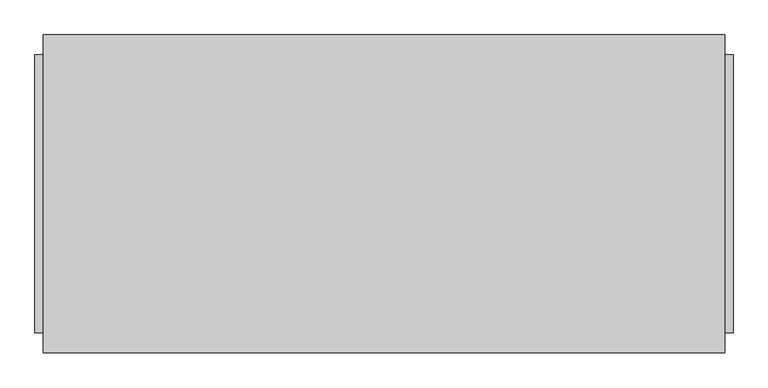
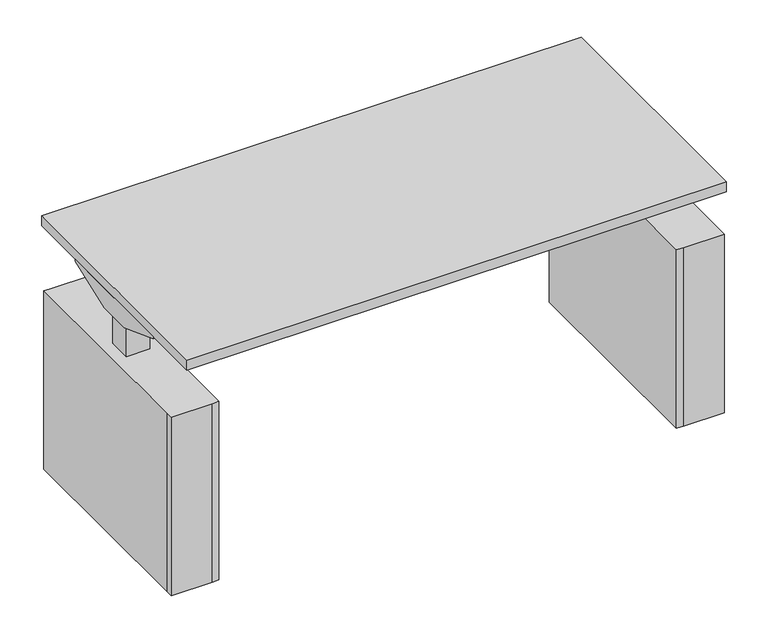
"""IFC4 building model written with IfcOpenShell, lengths in millimetres: furniture geometry."""

from ifc_helpers import new_model, si_unit, frame, origin, origin_with_axes, place, context, project, spatial, polyline, outline, extrude, source, transform, mapped, element, save


def furniture_b771bf4a(model_context):
    return source(origin(), model_context, "Body", "SweptSolid", [
        extrude(outline(polyline([(-762.0, 311.15), (-646.4101562, 311.15), (-646.4101562, -311.15), (-665.4601562, -311.15), (-781.05, -311.15), (-781.05, -292.1), (-781.05, 311.15), (-762.0, 311.15)]), holes=[polyline([(-746.7699219, 33.02), (-746.7699219, -33.02), (-680.6902344, -33.02), (-680.6902344, 33.02), (-746.7699219, 33.02)])]), frame((0.0, 0.0, 12.7), z_axis=(0.0, 0.0, 1.0), x_axis=(1.0, 0.0, 0.0)), (0.0, 0.0, 1.0), 533.4),
        extrude(outline(polyline([(-762.0, 292.1), (-665.4601562, 292.1), (-665.4601562, -292.1), (-762.0, -292.1), (-762.0, 292.1)])), origin_with_axes(), (0.0, 0.0, 1.0), 20.6375),
        extrude(outline(polyline([(49.3599854, 648.1304493), (-49.3599854, 648.1304493), (-190.5, 700.0875), (-190.5, 706.4375), (190.5, 706.4375), (190.5, 700.0875), (49.3599854, 648.1304493)])), frame((-762.0, 0.0, 0.0), z_axis=(1.0, 0.0, 0.0), x_axis=(0.0, 1.0, 0.0)), (0.0, 0.0, 1.0), 25.4),
        extrude(outline(polyline([(-736.6, 29.21), (-684.5597656, 29.21), (-684.5597656, -29.21), (-736.6, -29.21), (-736.6, 29.21)])), frame((0.0, 0.0, 642.9375), z_axis=(0.0, 0.0, 1.0), x_axis=(1.0, 0.0, 0.0)), (0.0, 0.0, 1.0), 63.5),
        extrude(outline(polyline([(-746.7699219, 33.02), (-680.6902344, 33.02), (-680.6902344, -33.02), (-746.7699219, -33.02), (-746.7699219, 33.02)])), frame((0.0, 0.0, 20.6375), z_axis=(0.0, 0.0, 1.0), x_axis=(1.0, 0.0, 0.0)), (0.0, 0.0, 1.0), 622.3),
        extrude(outline(polyline([(762.0, 311.15), (781.05, 311.15), (781.05, -292.1), (781.05, -311.15), (665.4601563, -311.15), (646.4101563, -311.15), (646.4101563, 311.15), (762.0, 311.15)]), holes=[polyline([(746.7699219, 33.02), (680.6902344, 33.02), (680.6902344, -33.02), (746.7699219, -33.02), (746.7699219, 33.02)])]), frame((0.0, 0.0, 12.7), z_axis=(0.0, 0.0, 1.0), x_axis=(1.0, 0.0, 0.0)), (0.0, 0.0, 1.0), 533.4),
        extrude(outline(polyline([(762.0, 292.1), (762.0, -292.1), (665.4601563, -292.1), (665.4601563, 292.1), (762.0, 292.1)])), origin_with_axes(), (0.0, 0.0, 1.0), 20.6375),
        extrude(outline(polyline([(49.3599854, 648.1304493), (-49.3599854, 648.1304493), (-190.5, 700.0875), (-190.5, 706.4375), (190.5, 706.4375), (190.5, 700.0875), (49.3599854, 648.1304493)])), frame((736.6, 0.0, 0.0), z_axis=(1.0, 0.0, 0.0), x_axis=(0.0, 1.0, 0.0)), (0.0, 0.0, 1.0), 25.4),
        extrude(outline(polyline([(736.6, 29.21), (736.6, -29.21), (684.5597656, -29.21), (684.5597656, 29.21), (736.6, 29.21)])), frame((0.0, 0.0, 642.9375), z_axis=(0.0, 0.0, 1.0), x_axis=(1.0, 0.0, 0.0)), (0.0, 0.0, 1.0), 63.5),
        extrude(outline(polyline([(746.7699219, 33.02), (746.7699219, -33.02), (680.6902344, -33.02), (680.6902344, 33.02), (746.7699219, 33.02)])), frame((0.0, 0.0, 20.6375), z_axis=(0.0, 0.0, 1.0), x_axis=(1.0, 0.0, 0.0)), (0.0, 0.0, 1.0), 622.3),
        extrude(outline(polyline([(762.0, 355.6), (762.0, -355.6), (-762.0, -355.6), (-762.0, 355.6), (762.0, 355.6)])), frame((0.0, 0.0, 706.4375), z_axis=(0.0, 0.0, 1.0), x_axis=(1.0, 0.0, 0.0)), (0.0, 0.0, 1.0), 30.1625),
    ])


if __name__ == "__main__":
    model = new_model("IFC4")
    model_context = context("Model", 3, world=origin())
    ifc_project = project(units=[si_unit("LENGTHUNIT", "METRE", prefix="MILLI")], contexts=[model_context])
    site = spatial("IfcSite", under=ifc_project)
    building = spatial("IfcBuilding", under=site)
    placement = place(None, origin())
    furniture_shape = furniture_b771bf4a(model_context)
    element("IfcFurniture", 1, at=placement, inside=building, context=model_context, shape_type="MappedRepresentation", body=[
        mapped(furniture_shape, transform((0.0, 0.0, 0.0), x_axis=(1.0, 0.0, 0.0), y_axis=(0.0, 1.0, 0.0), z_axis=(0.0, 0.0, 1.0))),
    ])
    save(model, "model.ifc")
